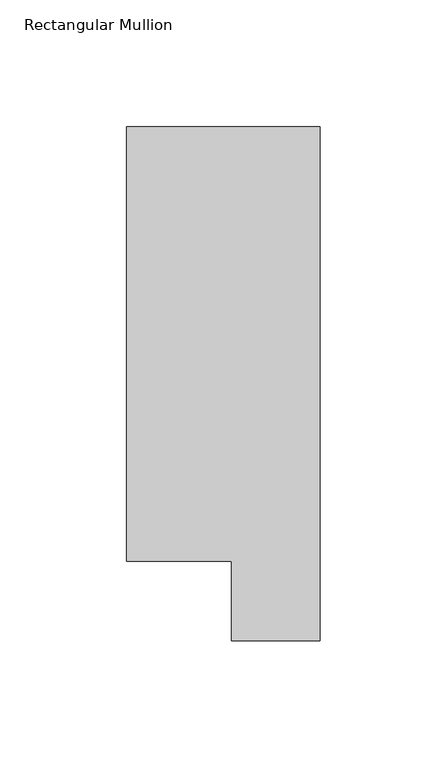
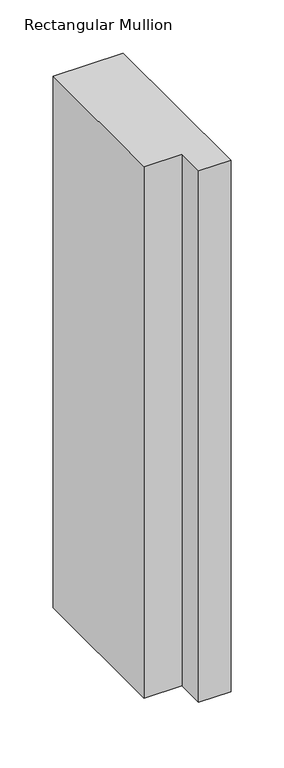
"""IFC4 building model written with IfcOpenShell, lengths in millimetres: member geometry, Rectangular Mullion."""

from ifc_helpers import new_model, si_unit, frame, origin, place, context, project, spatial, polyline, outline, extrude, source, transform, mapped, element, save


def rectangular_mullion_211e8874(model_context):
    return source(origin(), model_context, "Body", "SweptSolid", [
        extrude(outline(polyline([(0.0, 222.0301313), (0.0, 19.5667313), (-34.9123, 19.5667312), (-34.9123, 50.820278), (-76.2, 50.820278), (-76.2, 222.0301313), (0.0, 222.0301313)])), frame((0.0, 0.0, -609.6), z_axis=(0.0, 0.0, 1.0), x_axis=(1.0, 0.0, 0.0)), (0.0, 0.0, 1.0), 609.6),
    ])


if __name__ == "__main__":
    model = new_model("IFC4")
    model_context = context("Model", 3, world=origin())
    ifc_project = project(units=[si_unit("LENGTHUNIT", "METRE", prefix="MILLI")], contexts=[model_context])
    site = spatial("IfcSite", under=ifc_project)
    building = spatial("IfcBuilding", under=site)
    placement = place(None, origin())
    rectangular_mullion_shape = rectangular_mullion_211e8874(model_context)
    element("IfcMember", 1, ObjectType="Rectangular Mullion", at=placement, inside=building, context=model_context, shape_type="MappedRepresentation", body=[
        mapped(rectangular_mullion_shape, transform((0.0, 0.0, 0.0), x_axis=(1.0, 0.0, 0.0), y_axis=(0.0, 1.0, 0.0), z_axis=(0.0, 0.0, 1.0))),
    ])
    save(model, "model.ifc")
